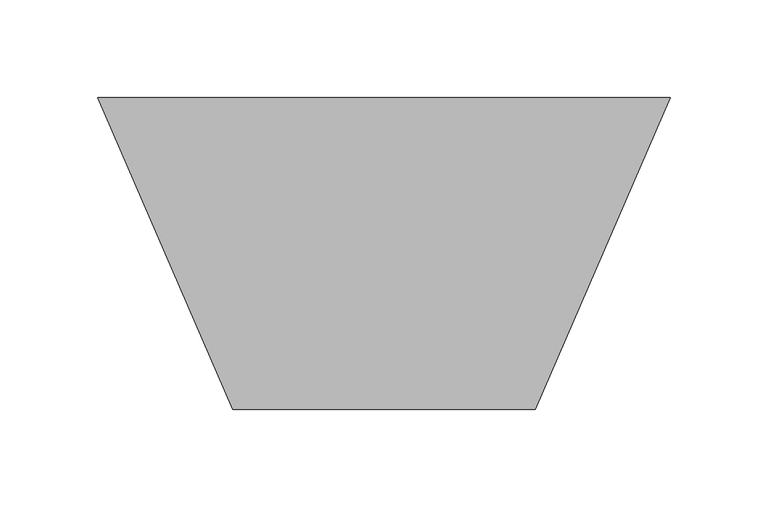
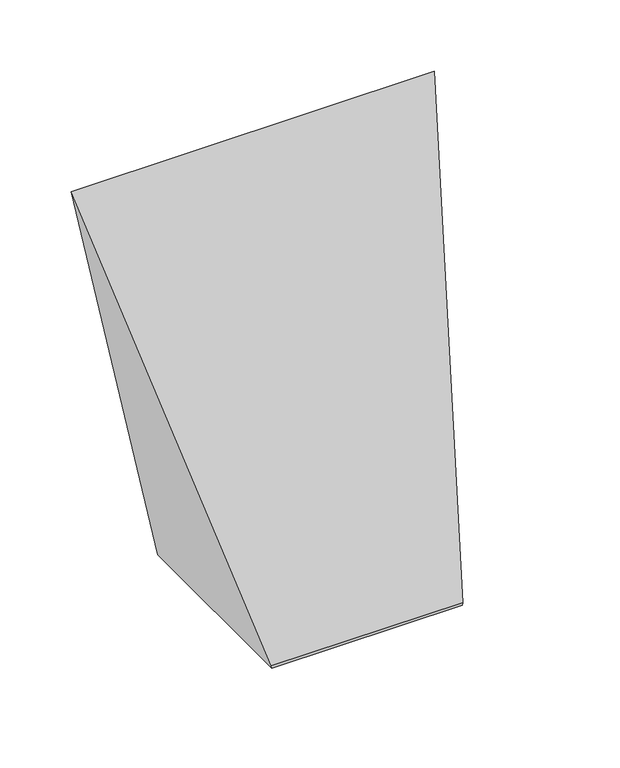
"""IFC4 building model written with IfcOpenShell, lengths in millimetres: proxy geometry."""

from ifc_helpers import new_model, si_unit, origin, place, context, project, spatial, faceted_brep, source, transform, mapped, element, save


def generic_models_2387fa4b(model_context):
    return source(origin(), model_context, "Body", "Brep", [
        faceted_brep([(69.8714286, -160.0, 0.0), (223.8714286, -160.0, 0.0), (224.2885714, -160.0, 2.0), (69.4542857, -160.0, 2.0), (69.8714286, 0.0, 0.0), (0.0, 0.0, 335.0), (293.7428571, 0.0, 335.0), (223.8714286, 0.0, 0.0)], [[[0, 1, 2, 3]], [[4, 5, 6, 7]], [[7, 6, 2, 1]], [[6, 5, 3, 2]], [[5, 4, 0, 3]], [[4, 7, 1, 0]]]),
    ])


if __name__ == "__main__":
    model = new_model("IFC4")
    model_context = context("Model", 3, world=origin())
    ifc_project = project(units=[si_unit("LENGTHUNIT", "METRE", prefix="MILLI")], contexts=[model_context])
    site = spatial("IfcSite", under=ifc_project)
    building = spatial("IfcBuilding", under=site)
    placement = place(None, origin())
    generic_models_shape = generic_models_2387fa4b(model_context)
    element("IfcBuildingElementProxy", 1, Name="Generic Models", at=placement, inside=building, context=model_context, shape_type="MappedRepresentation", body=[
        mapped(generic_models_shape, transform((0.0, 0.0, 0.0), x_axis=(1.0, 0.0, 0.0), y_axis=(0.0, 1.0, 0.0), z_axis=(0.0, 0.0, 1.0))),
    ])
    save(model, "model.ifc")
